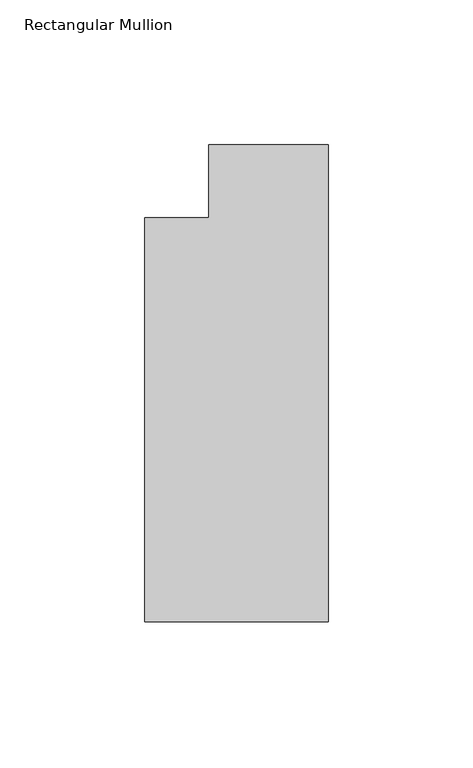
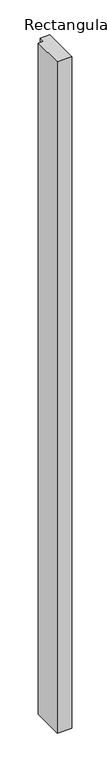
"""IFC4 building model written with IfcOpenShell, lengths in millimetres: member geometry, Rectangular Mullion."""

from ifc_helpers import new_model, si_unit, frame, origin, place, context, project, spatial, polyline, outline, extrude, source, transform, mapped, element, save


def rectangular_mullion_1ef4adfc(model_context):
    return source(origin(), model_context, "Body", "SweptSolid", [
        extrude(outline(polyline([(0.0, -139.699995), (-63.5, -139.699995), (-63.5, 0.0), (-41.2751132, 0.0), (-41.2751132, 25.4), (0.0, 25.4), (0.0, -139.699995)])), frame((0.0, 0.0, -3048.0), z_axis=(0.0, 0.0, 1.0), x_axis=(1.0, 0.0, 0.0)), (0.0, 0.0, 1.0), 3048.0),
    ])


if __name__ == "__main__":
    model = new_model("IFC4")
    model_context = context("Model", 3, world=origin())
    ifc_project = project(units=[si_unit("LENGTHUNIT", "METRE", prefix="MILLI")], contexts=[model_context])
    site = spatial("IfcSite", under=ifc_project)
    building = spatial("IfcBuilding", under=site)
    placement = place(None, origin())
    rectangular_mullion_shape = rectangular_mullion_1ef4adfc(model_context)
    element("IfcMember", 1, ObjectType="Rectangular Mullion", at=placement, inside=building, context=model_context, shape_type="MappedRepresentation", body=[
        mapped(rectangular_mullion_shape, transform((0.0, 0.0, 0.0), x_axis=(1.0, 0.0, 0.0), y_axis=(0.0, 1.0, 0.0), z_axis=(0.0, 0.0, 1.0))),
    ])
    save(model, "model.ifc")
